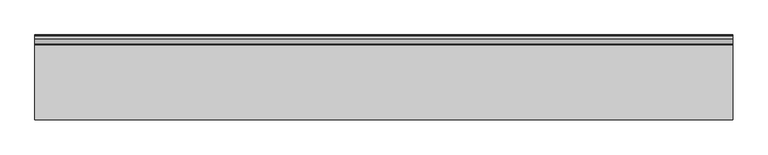
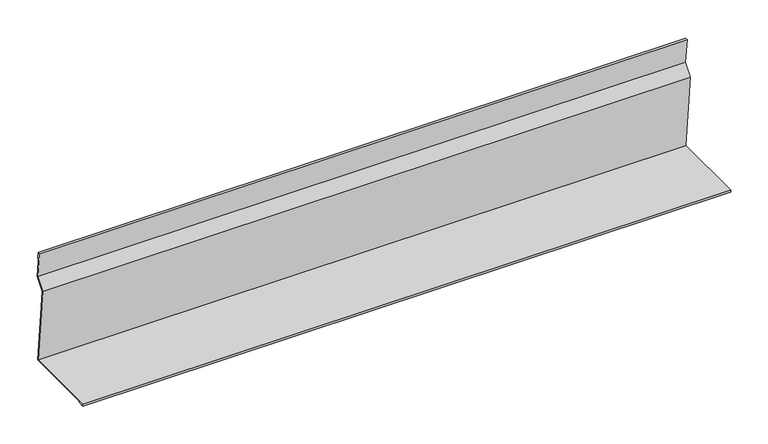
"""IFC4 building model written with IfcOpenShell, lengths in millimetres: proxy geometry."""

from ifc_helpers import new_model, si_unit, frame, origin, place, context, project, spatial, polyline, outline, extrude, source, transform, mapped, element, save


def generic_models_eb395137(model_context):
    return source(origin(), model_context, "Body", "SweptSolid", [
        extrude(outline(polyline([(-140.485755, 2.0157585), (-140.485755, 5.0157585), (-20.485755, 5.0157585), (-33.0291706, 124.3583859), (-19.8134424, 140.6784511), (-23.9945809, 180.4593269), (-21.0110153, 180.7729123), (-19.9657306, 170.8276933), (-20.9602525, 170.7231649), (-21.9010087, 179.6738619), (-22.8955306, 179.5693335), (-18.7756234, 140.3710351), (-31.9913516, 124.0509699), (-19.3751425, 4.0157585), (-139.6345236, 4.0157585), (-139.6345236, 3.0157585), (-130.485755, 3.0157585), (-130.485755, 2.0157585), (-140.485755, 2.0157585)])), frame((0.0, 0.0, 0.0), z_axis=(1.0, 0.0, 0.0), x_axis=(0.0, 1.0, 0.0)), (0.0, 0.0, 1.0), 1000.0),
    ])


if __name__ == "__main__":
    model = new_model("IFC4")
    model_context = context("Model", 3, world=origin())
    ifc_project = project(units=[si_unit("LENGTHUNIT", "METRE", prefix="MILLI")], contexts=[model_context])
    site = spatial("IfcSite", under=ifc_project)
    building = spatial("IfcBuilding", under=site)
    placement = place(None, origin())
    generic_models_shape = generic_models_eb395137(model_context)
    element("IfcBuildingElementProxy", 1, Name="Generic Models", at=placement, inside=building, context=model_context, shape_type="MappedRepresentation", body=[
        mapped(generic_models_shape, transform((0.0, 0.0, 0.0), x_axis=(1.0, 0.0, 0.0), y_axis=(0.0, 1.0, 0.0), z_axis=(0.0, 0.0, 1.0))),
    ])
    save(model, "model.ifc")
